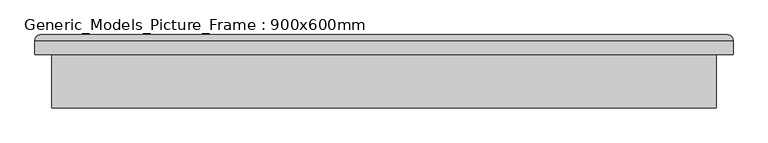
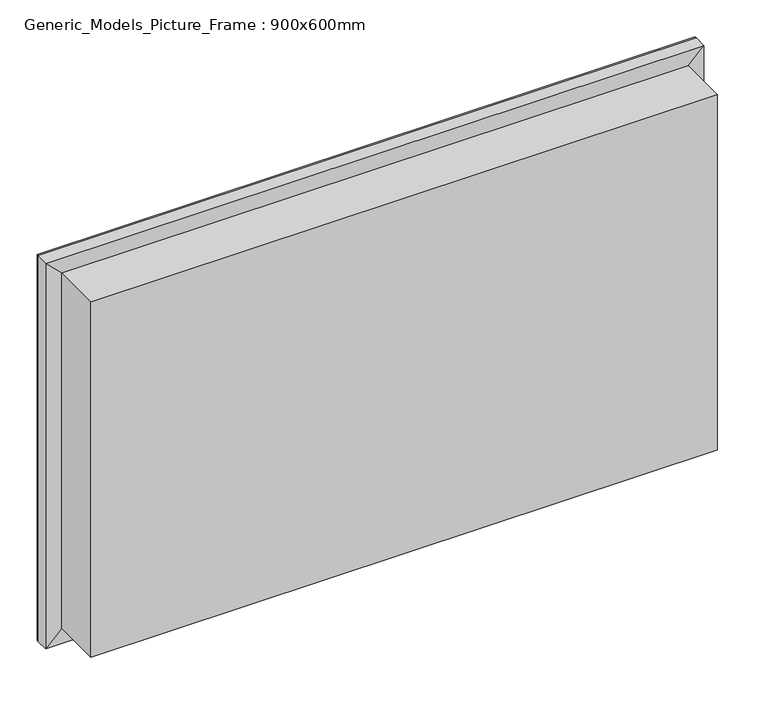
"""IFC4 building model written with IfcOpenShell, lengths in millimetres: proxy geometry, Generic_Models_Picture_Frame : 900x600mm."""

from ifc_helpers import new_model, si_unit, frame, origin, place, context, project, spatial, polyline, ellipse_curve, outline, extrude, source, transform, mapped, element, save
from ifc_brep_helpers import plane_surface, cylinder_surface, advanced_brep


def generic_models_picture_frame_900x600mm_a52fa22b(model_context):
    return source(origin(), model_context, "Body", "SolidModel", [
        extrude(outline(polyline([(-750.0, 222.5), (750.0, 222.5), (750.0, 101.6), (-750.0, 101.6), (-750.0, 222.5)])), frame((0.0, 0.0, 900.0), z_axis=(0.0, 0.0, 1.0), x_axis=(1.0, 0.0, 0.0)), (0.0, 0.0, 1.0), 900.0),
        advanced_brep(
        [(-750.0, 222.5, 1800.0), (-788.1, 222.5, 1838.1), (-788.1, 222.5, 861.9), (-750.0, 222.5, 900.0), (-750.0, 247.9, 1800.0), (-750.0, 247.9, 900.0), (-730.95, 247.9, 1780.95), (-730.95, 247.9, 919.05), (-730.95, 254.25, 1780.95), (-730.95, 254.25, 919.05), (-743.65, 266.95, 1793.65), (-743.65, 266.95, 906.35), (-775.4, 266.95, 1825.4), (-775.4, 266.95, 874.6), (-788.1, 254.25, 1838.1), (-788.1, 254.25, 861.9), (788.1, 222.5, 861.9), (750.0, 222.5, 900.0), (750.0, 247.9, 900.0), (730.95, 247.9, 919.05), (730.95, 254.25, 919.05), (743.65, 266.95, 906.35), (775.4, 266.95, 874.6), (788.1, 254.25, 861.9), (788.1, 222.5, 1838.1), (750.0, 222.5, 1800.0), (750.0, 247.9, 1800.0), (730.95, 247.9, 1780.95), (730.95, 254.25, 1780.95), (743.65, 266.95, 1793.65), (775.4, 266.95, 1825.4), (788.1, 254.25, 1838.1)],
        [
            (0, 1),
            (1, 2),
            (2, 3),
            (3, 0),
            (4, 0),
            (3, 5),
            (5, 4),
            (6, 4),
            (5, 7),
            (7, 6),
            (8, 6),
            (7, 9),
            (9, 8),
            (10, 8, ellipse_curve(frame((-743.65, 254.25, 1793.65), z_axis=(-0.7071067811865475, 0.0, -0.7071067811865475), x_axis=(-0.7071067811865474, 0.0, 0.7071067811865476)), 17.9605122, 12.7)),
            (9, 11, ellipse_curve(frame((-743.65, 254.25, 906.35), z_axis=(-0.7071067811865475, 0.0, 0.7071067811865475), x_axis=(0.7071067811865474, 0.0, 0.7071067811865476)), 17.9605122, 12.7)),
            (11, 10),
            (12, 10),
            (11, 13),
            (13, 12),
            (14, 12, ellipse_curve(frame((-775.4, 254.25, 1825.4), z_axis=(-0.7071067811865475, 0.0, -0.7071067811865475), x_axis=(-0.7071067811865474, 0.0, 0.7071067811865476)), 17.9605122, 12.7)),
            (13, 15, ellipse_curve(frame((-775.4, 254.25, 874.6), z_axis=(-0.7071067811865475, 0.0, 0.7071067811865475), x_axis=(0.7071067811865474, 0.0, 0.7071067811865476)), 17.9605122, 12.7)),
            (15, 14),
            (1, 14),
            (15, 2),
            (2, 16),
            (16, 17),
            (17, 3),
            (17, 18),
            (18, 5),
            (18, 19),
            (19, 7),
            (19, 20),
            (20, 9),
            (20, 21, ellipse_curve(frame((743.65, 254.25, 906.35), z_axis=(-0.7071067811865475, 0.0, -0.7071067811865475), x_axis=(-0.7071067811865476, 0.0, 0.7071067811865474)), 17.9605122, 12.7)),
            (21, 11),
            (21, 22),
            (22, 13),
            (22, 23, ellipse_curve(frame((775.4, 254.25, 874.6), z_axis=(-0.7071067811865475, 0.0, -0.7071067811865475), x_axis=(-0.7071067811865476, 0.0, 0.7071067811865474)), 17.9605122, 12.7)),
            (23, 15),
            (23, 16),
            (16, 24),
            (24, 25),
            (25, 17),
            (25, 26),
            (26, 18),
            (26, 27),
            (27, 19),
            (27, 28),
            (28, 20),
            (28, 29, ellipse_curve(frame((743.65, 254.25, 1793.65), z_axis=(0.7071067811865475, 0.0, -0.7071067811865475), x_axis=(-0.7071067811865474, 0.0, -0.7071067811865476)), 17.9605122, 12.7)),
            (29, 21),
            (29, 30),
            (30, 22),
            (30, 31, ellipse_curve(frame((775.4, 254.25, 1825.4), z_axis=(0.7071067811865475, 0.0, -0.7071067811865475), x_axis=(-0.7071067811865474, 0.0, -0.7071067811865476)), 17.9605122, 12.7)),
            (31, 23),
            (31, 24),
            (24, 1),
            (0, 25),
            (4, 26),
            (6, 27),
            (8, 28),
            (10, 29),
            (12, 30),
            (14, 31),
        ],
        [
            plane_surface(frame((-788.1, 222.5, 1838.1), z_axis=(0.0, -1.0, 0.0), x_axis=(0.0, 0.0, -1.0))),
            plane_surface(frame((-750.0, 222.5, 1800.0), z_axis=(1.0, 0.0, 0.0), x_axis=(0.0, 0.0, -1.0))),
            plane_surface(frame((-750.0, 247.9, 1800.0), z_axis=(0.0, -1.0, 0.0), x_axis=(0.0, 0.0, -1.0))),
            plane_surface(frame((-730.95, 247.9, 1780.95), z_axis=(1.0, 0.0, 0.0), x_axis=(0.0, 0.0, -1.0))),
            cylinder_surface(frame((-743.65, 254.25, 1800.0), z_axis=(0.0, 0.0, 1.0), x_axis=(-1.0, 0.0, 0.0)), 12.7),
            plane_surface(frame((-743.65, 266.95, 1793.65), z_axis=(0.0, 1.0, 0.0), x_axis=(0.0, 0.0, -1.0))),
            cylinder_surface(frame((-775.4, 254.25, 1800.0), z_axis=(0.0, 0.0, 1.0), x_axis=(-1.0, 0.0, 0.0)), 12.7),
            plane_surface(frame((-788.1, 254.25, 1838.1), z_axis=(-1.0, 0.0, 0.0), x_axis=(0.0, 0.0, -1.0))),
            plane_surface(frame((-788.1, 222.5, 861.9), z_axis=(0.0, -1.0, 0.0), x_axis=(1.0, 0.0, 0.0))),
            plane_surface(frame((-750.0, 222.5, 900.0), z_axis=(0.0, 0.0, 1.0), x_axis=(1.0, 0.0, 0.0))),
            plane_surface(frame((-750.0, 247.9, 900.0), z_axis=(0.0, -1.0, 0.0), x_axis=(1.0, 0.0, 0.0))),
            plane_surface(frame((-730.95, 247.9, 919.05), z_axis=(0.0, 0.0, 1.0), x_axis=(1.0, 0.0, 0.0))),
            cylinder_surface(frame((-750.0, 254.25, 906.35), z_axis=(-1.0, 0.0, 0.0), x_axis=(0.0, 0.0, -1.0)), 12.7),
            plane_surface(frame((-743.65, 266.95, 906.35), z_axis=(0.0, 1.0, 0.0), x_axis=(1.0, 0.0, 0.0))),
            cylinder_surface(frame((-750.0, 254.25, 874.6), z_axis=(-1.0, 0.0, 0.0), x_axis=(0.0, 0.0, -1.0)), 12.7),
            plane_surface(frame((-788.1, 254.25, 861.9), z_axis=(0.0, 0.0, -1.0), x_axis=(1.0, 0.0, 0.0))),
            plane_surface(frame((788.1, 222.5, 861.9), z_axis=(0.0, -1.0, 0.0), x_axis=(0.0, 0.0, 1.0))),
            plane_surface(frame((750.0, 222.5, 900.0), z_axis=(-1.0, 0.0, 0.0), x_axis=(0.0, 0.0, 1.0))),
            plane_surface(frame((750.0, 247.9, 900.0), z_axis=(0.0, -1.0, 0.0), x_axis=(0.0, 0.0, 1.0))),
            plane_surface(frame((730.95, 247.9, 919.05), z_axis=(-1.0, 0.0, 0.0), x_axis=(0.0, 0.0, 1.0))),
            cylinder_surface(frame((743.65, 254.25, 900.0), z_axis=(0.0, 0.0, -1.0), x_axis=(1.0, 0.0, 0.0)), 12.7),
            plane_surface(frame((743.65, 266.95, 906.35), z_axis=(0.0, 1.0, 0.0), x_axis=(0.0, 0.0, 1.0))),
            cylinder_surface(frame((775.4, 254.25, 900.0), z_axis=(0.0, 0.0, -1.0), x_axis=(1.0, 0.0, 0.0)), 12.7),
            plane_surface(frame((788.1, 254.25, 861.9), z_axis=(1.0, 0.0, 0.0), x_axis=(0.0, 0.0, 1.0))),
            plane_surface(frame((788.1, 222.5, 1838.1), z_axis=(0.0, -1.0, 0.0), x_axis=(-1.0, 0.0, 0.0))),
            plane_surface(frame((750.0, 222.5, 1800.0), z_axis=(0.0, 0.0, -1.0), x_axis=(-1.0, 0.0, 0.0))),
            plane_surface(frame((750.0, 247.9, 1800.0), z_axis=(0.0, -1.0, 0.0), x_axis=(-1.0, 0.0, 0.0))),
            plane_surface(frame((730.95, 247.9, 1780.95), z_axis=(0.0, 0.0, -1.0), x_axis=(-1.0, 0.0, 0.0))),
            cylinder_surface(frame((750.0, 254.25, 1793.65), z_axis=(1.0, 0.0, 0.0), x_axis=(0.0, 0.0, 1.0)), 12.7),
            plane_surface(frame((743.65, 266.95, 1793.65), z_axis=(0.0, 1.0, 0.0), x_axis=(-1.0, 0.0, 0.0))),
            cylinder_surface(frame((750.0, 254.25, 1825.4), z_axis=(1.0, 0.0, 0.0), x_axis=(0.0, 0.0, 1.0)), 12.7),
            plane_surface(frame((788.1, 254.25, 1838.1), z_axis=(0.0, 0.0, 1.0), x_axis=(-1.0, 0.0, 0.0))),
        ],
        [
            (0, [[1, 2, 3, 4]]),
            (1, [[5, -4, 6, 7]]),
            (2, [[8, -7, 9, 10]]),
            (3, [[11, -10, 12, 13]]),
            (4, [[14, -13, 15, 16]]),
            (5, [[17, -16, 18, 19]]),
            (6, [[20, -19, 21, 22]]),
            (7, [[23, -22, 24, -2]]),
            (8, [[-3, 25, 26, 27]]),
            (9, [[-6, -27, 28, 29]]),
            (10, [[-9, -29, 30, 31]]),
            (11, [[-12, -31, 32, 33]]),
            (12, [[-15, -33, 34, 35]]),
            (13, [[-18, -35, 36, 37]]),
            (14, [[-21, -37, 38, 39]]),
            (15, [[-24, -39, 40, -25]]),
            (16, [[-26, 41, 42, 43]]),
            (17, [[-28, -43, 44, 45]]),
            (18, [[-30, -45, 46, 47]]),
            (19, [[-32, -47, 48, 49]]),
            (20, [[-34, -49, 50, 51]]),
            (21, [[-36, -51, 52, 53]]),
            (22, [[-38, -53, 54, 55]]),
            (23, [[-40, -55, 56, -41]]),
            (24, [[-42, 57, -1, 58]]),
            (25, [[-44, -58, -5, 59]]),
            (26, [[-46, -59, -8, 60]]),
            (27, [[-48, -60, -11, 61]]),
            (28, [[-50, -61, -14, 62]]),
            (29, [[-52, -62, -17, 63]]),
            (30, [[-54, -63, -20, 64]]),
            (31, [[-56, -64, -23, -57]]),
        ],
    ),
    ])


if __name__ == "__main__":
    model = new_model("IFC4")
    model_context = context("Model", 3, world=origin())
    ifc_project = project(units=[si_unit("LENGTHUNIT", "METRE", prefix="MILLI")], contexts=[model_context])
    site = spatial("IfcSite", under=ifc_project)
    building = spatial("IfcBuilding", under=site)
    placement = place(None, origin())
    generic_models_picture_frame_900x600mm_shape = generic_models_picture_frame_900x600mm_a52fa22b(model_context)
    element("IfcBuildingElementProxy", 1, Name="Generic_Models_Picture_Frame : 900x600mm", ObjectType="Generic_Models_Picture_Frame : 900x600mm", at=placement, inside=building, context=model_context, shape_type="MappedRepresentation", body=[
        mapped(generic_models_picture_frame_900x600mm_shape, transform((0.0, 0.0, 0.0), x_axis=(1.0, 0.0, 0.0), y_axis=(0.0, 1.0, 0.0), z_axis=(0.0, 0.0, 1.0))),
    ])
    save(model, "model.ifc")
